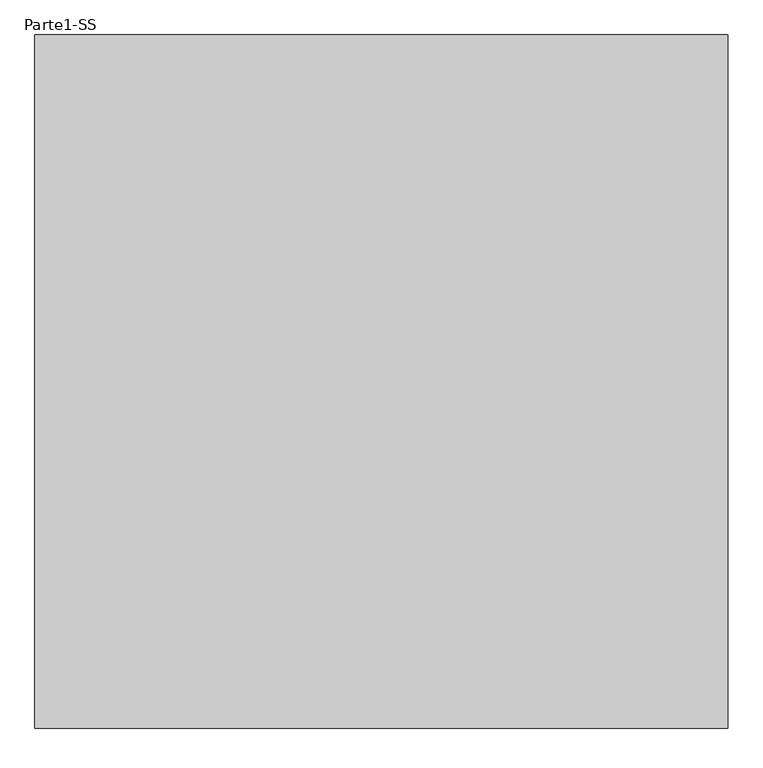
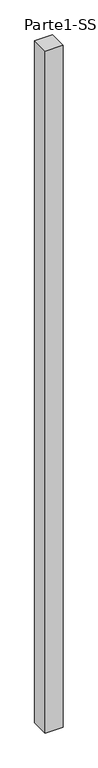
"""IFC4 building model written with IfcOpenShell, lengths in millimetres: proxy geometry, Parte1-SS."""

from ifc_helpers import new_model, si_unit, frame, origin, place, context, project, spatial, polyline, outline, extrude, source, transform, mapped, element, save


def parte1_ss_b8aaf2f1(model_context):
    return source(origin(), model_context, "Body", "SweptSolid", [
        extrude(outline(polyline([(2000.0, 2000.0), (2000.0, 0.0), (0.0, 0.0), (0.0, 2000.0), (2000.0, 2000.0)])), frame((0.0, 0.0, 5000.0), z_axis=(0.0, 0.0, 1.0), x_axis=(1.0, 0.0, 0.0)), (0.0, 0.0, 1.0), 80000.0),
    ])


if __name__ == "__main__":
    model = new_model("IFC4")
    model_context = context("Model", 3, world=origin())
    ifc_project = project(units=[si_unit("LENGTHUNIT", "METRE", prefix="MILLI")], contexts=[model_context])
    site = spatial("IfcSite", under=ifc_project)
    building = spatial("IfcBuilding", under=site)
    placement = place(None, origin())
    parte1_ss_shape = parte1_ss_b8aaf2f1(model_context)
    element("IfcBuildingElementProxy", 1, Name="Parte1-SS", ObjectType="Parte1-SS", at=placement, inside=building, context=model_context, shape_type="MappedRepresentation", body=[
        mapped(parte1_ss_shape, transform((0.0, 0.0, 0.0), x_axis=(1.0, 0.0, 0.0), y_axis=(0.0, 1.0, 0.0), z_axis=(0.0, 0.0, 1.0))),
    ])
    save(model, "model.ifc")
